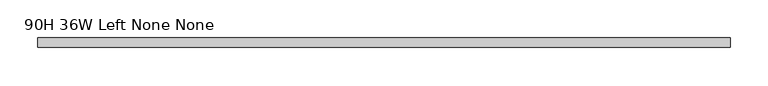
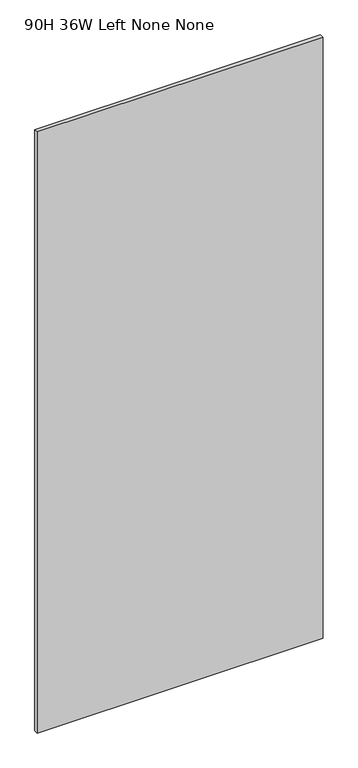
"""IFC4 building model written with IfcOpenShell, lengths in millimetres: furniture geometry, 90H 36W Left None None."""

from ifc_helpers import new_model, si_unit, frame, origin, place, context, project, spatial, polyline, outline, extrude, source, transform, mapped, element, save


def furniture_90h_36w_left_none_none_473a3388(model_context):
    return source(origin(), model_context, "Body", "SweptSolid", [
        extrude(outline(polyline([(914.4, -50.8000015), (0.0, -50.8000015), (0.0, -38.1), (914.4, -38.1), (914.4, -50.8000015)])), frame((0.0, 0.0, 139.700003), z_axis=(0.0, 0.0, 1.0), x_axis=(1.0, 0.0, 0.0)), (0.0, 0.0, 1.0), 2031.999997),
    ])


if __name__ == "__main__":
    model = new_model("IFC4")
    model_context = context("Model", 3, world=origin())
    ifc_project = project(units=[si_unit("LENGTHUNIT", "METRE", prefix="MILLI")], contexts=[model_context])
    site = spatial("IfcSite", under=ifc_project)
    building = spatial("IfcBuilding", under=site)
    placement = place(None, origin())
    furniture_90h_36w_left_none_none_shape = furniture_90h_36w_left_none_none_473a3388(model_context)
    element("IfcFurniture", 1, ObjectType="90H 36W Left None None", at=placement, inside=building, context=model_context, shape_type="MappedRepresentation", body=[
        mapped(furniture_90h_36w_left_none_none_shape, transform((0.0, 0.0, 0.0), x_axis=(1.0, 0.0, 0.0), y_axis=(0.0, 1.0, 0.0), z_axis=(0.0, 0.0, 1.0))),
    ])
    save(model, "model.ifc")
